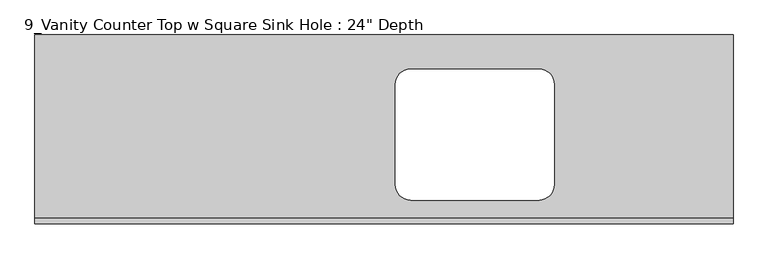
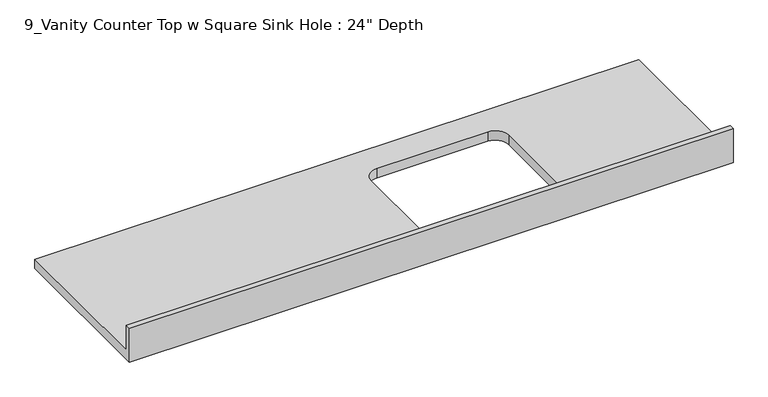
"""IFC4 building model written with IfcOpenShell, lengths in millimetres: furniture geometry."""

from ifc_helpers import new_model, si_unit, frame, origin, place, context, project, spatial, polyline, circle_curve, source, transform, mapped, element, save
from ifc_brep_helpers import plane_surface, revolved_surface, advanced_brep


def furniture_9dbeadaa(model_context):
    return source(origin(), model_context, "Body", "AdvancedBrep", [
        advanced_brep(
        [(-1268.7247951, 635.0, 787.4), (-1268.7247951, 19.05, 787.4), (1078.873513, 19.05, 787.4), (1078.873513, 635.0, 787.4), (-56.3459187, 130.6888371, 787.4), (-56.3459187, 469.4888371, 787.4), (-5.5459187, 520.2888371, 787.4), (426.2540813, 520.2888371, 787.4), (477.0540813, 469.4888371, 787.4), (477.0540813, 130.6888371, 787.4), (426.2540813, 79.8888371, 787.4), (-5.5459187, 79.8888371, 787.4), (1078.873513, 0.0, 749.3), (-1268.7247951, 0.0, 749.3), (-1268.7247951, 635.0, 749.3), (1078.873513, 635.0, 749.3), (-5.5459187, 79.8888371, 749.3), (426.2540813, 79.8888371, 749.3), (477.0540813, 130.6888371, 749.3), (477.0540813, 469.4888371, 749.3), (426.2540813, 520.2888371, 749.3), (-5.5459187, 520.2888371, 749.3), (-56.3459187, 469.4888371, 749.3), (-56.3459187, 130.6888371, 749.3), (1078.873513, 0.0, 889.0), (-1268.7247951, 0.0, 889.0), (-1268.7247951, 19.05, 889.0), (1078.873513, 19.05, 889.0)],
        [
            (0, 1),
            (1, 2),
            (2, 3),
            (3, 0),
            (4, 5),
            (5, 6, circle_curve(frame((-5.5459187, 469.4888371, 787.4), z_axis=(0.0, 0.0, -1.0), x_axis=(1.0, 0.0, 0.0)), 50.8)),
            (6, 7),
            (7, 8, circle_curve(frame((426.2540813, 469.4888371, 787.4), z_axis=(0.0, 0.0, -1.0), x_axis=(1.0, 0.0, 0.0)), 50.8)),
            (8, 9),
            (9, 10, circle_curve(frame((426.2540813, 130.6888371, 787.4), z_axis=(0.0, 0.0, -1.0), x_axis=(1.0, 0.0, 0.0)), 50.8)),
            (10, 11),
            (11, 4, circle_curve(frame((-5.5459187, 130.6888371, 787.4), z_axis=(0.0, 0.0, -1.0), x_axis=(1.0, 0.0, 0.0)), 50.8)),
            (12, 13),
            (13, 14),
            (14, 15),
            (15, 12),
            (16, 17),
            (17, 18, circle_curve(frame((426.2540813, 130.6888371, 749.3), z_axis=(0.0, 0.0, 1.0), x_axis=(1.0, 0.0, 0.0)), 50.8)),
            (18, 19),
            (19, 20, circle_curve(frame((426.2540813, 469.4888371, 749.3), z_axis=(0.0, 0.0, 1.0), x_axis=(1.0, 0.0, 0.0)), 50.8)),
            (20, 21),
            (21, 22, circle_curve(frame((-5.5459187, 469.4888371, 749.3), z_axis=(0.0, 0.0, 1.0), x_axis=(1.0, 0.0, 0.0)), 50.8)),
            (22, 23),
            (23, 16, circle_curve(frame((-5.5459187, 130.6888371, 749.3), z_axis=(0.0, 0.0, 1.0), x_axis=(1.0, 0.0, 0.0)), 50.8)),
            (12, 24),
            (24, 25),
            (25, 13),
            (25, 26),
            (26, 1),
            (0, 14),
            (3, 15),
            (2, 27),
            (27, 24),
            (27, 26),
            (11, 16),
            (23, 4),
            (22, 5),
            (21, 6),
            (20, 7),
            (19, 8),
            (18, 9),
            (17, 10),
        ],
        [
            plane_surface(frame((-1268.7247951, 0.0, 787.4), z_axis=(0.0, 0.0, 1.0), x_axis=(-1.0, 0.0, 0.0))),
            plane_surface(frame((-1268.7247951, 0.0, 749.3), z_axis=(0.0, 0.0, -1.0), x_axis=(1.0, 0.0, 0.0))),
            plane_surface(frame((1078.873513, 0.0, 787.4), z_axis=(0.0, -1.0, 0.0), x_axis=(0.0, 0.0, -1.0))),
            plane_surface(frame((-1268.7247951, 0.0, 787.4), z_axis=(-1.0, 0.0, 0.0), x_axis=(0.0, 0.0, -1.0))),
            plane_surface(frame((-1268.7247951, 635.0, 787.4), z_axis=(0.0, 1.0, 0.0), x_axis=(0.0, 0.0, -1.0))),
            plane_surface(frame((1078.873513, 635.0, 787.4), z_axis=(1.0, 0.0, 0.0), x_axis=(0.0, 0.0, -1.0))),
            plane_surface(frame((-1268.7247951, 0.0, 889.0), z_axis=(0.0, 0.0, 1.0), x_axis=(0.0, 1.0, 0.0))),
            plane_surface(frame((-1268.7247951, 19.05, 889.0), z_axis=(0.0, 1.0, 0.0), x_axis=(0.0, 0.0, -1.0))),
            revolved_surface(polyline([(45.254081299999996, 130.6888371, 787.4), (45.254081299999996, 130.6888371, 749.3)]), (-5.5459187, 130.6888371, 749.3), (0.0, 0.0, 1.0)),
            plane_surface(frame((-56.3459187, 130.6888371, 787.4), z_axis=(1.0, 0.0, 0.0), x_axis=(0.0, 0.0, -1.0))),
            revolved_surface(polyline([(45.254081299999996, 469.4888371, 787.4), (45.254081299999996, 469.4888371, 749.3)]), (-5.5459187, 469.4888371, 749.3), (0.0, 0.0, 1.0)),
            plane_surface(frame((-5.5459187, 520.2888371, 787.4), z_axis=(0.0, -1.0, 0.0), x_axis=(0.0, 0.0, -1.0))),
            revolved_surface(polyline([(477.0540813, 469.4888371, 787.4), (477.0540813, 469.4888371, 749.3)]), (426.2540813, 469.4888371, 749.3), (0.0, 0.0, 1.0)),
            plane_surface(frame((477.0540813, 469.4888371, 787.4), z_axis=(-1.0, 0.0, 0.0), x_axis=(0.0, 0.0, -1.0))),
            revolved_surface(polyline([(477.0540813, 130.6888371, 787.4), (477.0540813, 130.6888371, 749.3)]), (426.2540813, 130.6888371, 749.3), (0.0, 0.0, 1.0)),
            plane_surface(frame((426.2540813, 79.8888371, 787.4), z_axis=(0.0, 1.0, 0.0), x_axis=(0.0, 0.0, -1.0))),
        ],
        [
            (0, [[1, 2, 3, 4], [5, 6, 7, 8, 9, 10, 11, 12]]),
            (1, [[13, 14, 15, 16], [17, 18, 19, 20, 21, 22, 23, 24]]),
            (2, [[25, 26, 27, -13]]),
            (3, [[-27, 28, 29, -1, 30, -14]]),
            (4, [[31, -15, -30, -4]]),
            (5, [[-31, -3, 32, 33, -25, -16]]),
            (6, [[-26, -33, 34, -28]]),
            (7, [[-32, -2, -29, -34]]),
            (8, [[-12, 35, -24, 36]]),
            (9, [[-23, 37, -5, -36]]),
            (10, [[-22, 38, -6, -37]]),
            (11, [[-21, 39, -7, -38]]),
            (12, [[-20, 40, -8, -39]]),
            (13, [[-19, 41, -9, -40]]),
            (14, [[-18, 42, -10, -41]]),
            (15, [[-11, -42, -17, -35]]),
        ],
    ),
    ])


if __name__ == "__main__":
    model = new_model("IFC4")
    model_context = context("Model", 3, world=origin())
    ifc_project = project(units=[si_unit("LENGTHUNIT", "METRE", prefix="MILLI")], contexts=[model_context])
    site = spatial("IfcSite", under=ifc_project)
    building = spatial("IfcBuilding", under=site)
    placement = place(None, origin())
    furniture_shape = furniture_9dbeadaa(model_context)
    element("IfcFurniture", 1, ObjectType="9_Vanity Counter Top w Square Sink Hole : 24\" Depth", at=placement, inside=building, context=model_context, shape_type="MappedRepresentation", body=[
        mapped(furniture_shape, transform((0.0, 0.0, 0.0), x_axis=(1.0, 0.0, 0.0), y_axis=(0.0, 1.0, 0.0), z_axis=(0.0, 0.0, 1.0))),
    ])
    save(model, "model.ifc")
